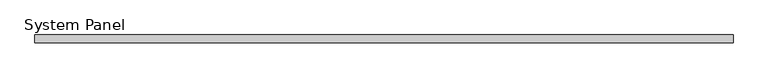
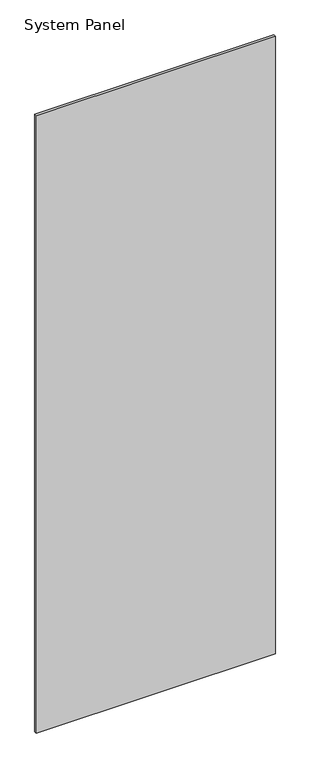
"""IFC4 building model written with IfcOpenShell, lengths in millimetres: plate geometry, System Panel."""

import ifcopenshell
import ifcopenshell.guid

model = None  # the IFC model being written
_history = None  # IfcOwnerHistory: only IFC2X3 demands one
_inside = {}  # id of a spatial element -> (the spatial element, [elements in it])
_under = {}  # id of a project, library or spatial element -> (it, [spatial elements below it])
_declared = {}  # id of a project -> (the project, [libraries it declares])
_typed = {}  # id of a type object -> (the type object, [elements of that type])
_made_of = {}  # id of a material, layer set ... -> (it, [elements and type objects made of it])


def new_model(schema):
    """Start an empty IFC model of exactly this schema.

    Asked for "IFC4X3", IfcOpenShell would pick the latest addendum, in which some entities
    have other attributes; the version numbers below select the first issue.
    IFC2X3 requires an IfcOwnerHistory on every rooted entity: one is made here for all.
    """
    global model, _history
    if schema == "IFC4X3":
        model = ifcopenshell.file(schema_version=(4, 3, 0, 0))
    else:
        model = ifcopenshell.file(schema=schema)
    _inside.clear()
    _under.clear()
    _declared.clear()
    _typed.clear()
    _made_of.clear()
    _history = None
    if model.schema == "IFC2X3":
        org = make("IfcOrganization", Name="unknown")
        user = make(
            "IfcPersonAndOrganization",
            ThePerson=make("IfcPerson", FamilyName="unknown"),
            TheOrganization=org,
        )
        app = make(
            "IfcApplication",
            ApplicationDeveloper=org,
            Version="unknown",
            ApplicationFullName="unknown",
            ApplicationIdentifier="unknown",
        )
        _history = make(
            "IfcOwnerHistory",
            OwningUser=user,
            OwningApplication=app,
            ChangeAction="ADDED",
            CreationDate=0,
        )
    return model


def make(cls, **values):
    """One entity of the class cls with the attributes given. An attribute that is None is left unset."""
    return model.create_entity(
        cls, **{name: value for name, value in values.items() if value is not None}
    )


def rooted(cls, **values):
    """An entity with a GlobalId (a new one), such as an element, a storey or a relation."""
    return make(cls, GlobalId=ifcopenshell.guid.new(), OwnerHistory=_history, **values)


def si_unit(unit_type, name, prefix=None):
    """IfcSIUnit, for example si_unit("LENGTHUNIT", "METRE", prefix="MILLI")."""
    return make("IfcSIUnit", UnitType=unit_type, Prefix=prefix, Name=name)


def assignment(units):
    """IfcUnitAssignment: the units of a project."""
    return None if units is None else make("IfcUnitAssignment", Units=units)


def point(xyz):
    """IfcCartesianPoint."""
    return None if xyz is None else make("IfcCartesianPoint", Coordinates=xyz)


def direction(xyz):
    """IfcDirection."""
    return None if xyz is None else make("IfcDirection", DirectionRatios=xyz)


def frame(location, z_axis=None, x_axis=None):
    """IfcAxis2Placement3D, a coordinate frame: its origin and axes. An axis left out is left unset."""
    return make(
        "IfcAxis2Placement3D",
        Location=point(location),
        Axis=direction(z_axis),
        RefDirection=direction(x_axis),
    )


def origin():
    """The frame at (0, 0, 0) with its axes left unset."""
    return frame((0.0, 0.0, 0.0))


def origin_with_axes():
    """The frame at (0, 0, 0) with the z axis (0, 0, 1) and the x axis (1, 0, 0) written out."""
    return frame((0.0, 0.0, 0.0), z_axis=(0.0, 0.0, 1.0), x_axis=(1.0, 0.0, 0.0))


def place(relative_to, where):
    """IfcLocalPlacement: puts the frame where relative to a parent placement (None: the world)."""
    return make(
        "IfcLocalPlacement", PlacementRelTo=relative_to, RelativePlacement=where
    )


def context(
    kind, dimensions, precision=None, world=None, true_north=None, identifier=None
):
    """IfcGeometricRepresentationContext, for example the 3D "Model" context."""
    return make(
        "IfcGeometricRepresentationContext",
        ContextIdentifier=identifier,
        ContextType=kind,
        CoordinateSpaceDimension=dimensions,
        Precision=precision,
        WorldCoordinateSystem=world,
        TrueNorth=true_north,
    )


def project(units=None, contexts=None):
    """IfcProject with its units and contexts."""
    return rooted(
        "IfcProject",
        Name="project",
        RepresentationContexts=contexts,
        UnitsInContext=assignment(units),
    )


def spatial(cls, under=None, at=None, **own):
    """A site, building, storey or space (cls), placed at a placement, below another one or the project."""
    s = rooted(cls, ObjectPlacement=at, **own)
    if under is not None:
        _under.setdefault(under.id(), (under, []))[1].append(s)
    return s


def polyline(points):
    """IfcPolyline through the points."""
    return make("IfcPolyline", Points=[point(p) for p in points])


def outline(outer, holes=None, kind="AREA"):
    """IfcArbitraryClosedProfileDef: a profile drawn as a closed curve; with holes, ...WithVoids."""
    if holes is None:
        return make("IfcArbitraryClosedProfileDef", ProfileType=kind, OuterCurve=outer)
    return make(
        "IfcArbitraryProfileDefWithVoids",
        ProfileType=kind,
        OuterCurve=outer,
        InnerCurves=holes,
    )


def extrude(swept, where, along, depth):
    """IfcExtrudedAreaSolid: the profile swept, set in the frame where, extruded along a direction by depth."""
    return make(
        "IfcExtrudedAreaSolid",
        SweptArea=swept,
        Position=where,
        ExtrudedDirection=direction(along),
        Depth=depth,
    )


def shape(context_of_items, identifier, shape_type, items):
    """IfcShapeRepresentation: the items that make up one representation, for example the "Body"."""
    return make(
        "IfcShapeRepresentation",
        ContextOfItems=context_of_items,
        RepresentationIdentifier=identifier,
        RepresentationType=shape_type,
        Items=items,
    )


def source(mapping_origin, context_of_items, identifier, shape_type, items):
    """IfcRepresentationMap: a shape defined once, which mapped items show again and again."""
    return make(
        "IfcRepresentationMap",
        MappingOrigin=mapping_origin,
        MappedRepresentation=shape(context_of_items, identifier, shape_type, items),
    )


def transform(
    local_origin,
    x_axis=None,
    y_axis=None,
    z_axis=None,
    scale=None,
    scale2=None,
    scale3=None,
    uniform=True,
):
    """IfcCartesianTransformationOperator3D, or its non-uniform kind. x_axis, y_axis, z_axis: its Axis1, 2, 3."""
    if uniform:
        return make(
            "IfcCartesianTransformationOperator3D",
            Axis1=direction(x_axis),
            Axis2=direction(y_axis),
            LocalOrigin=point(local_origin),
            Scale=scale,
            Axis3=direction(z_axis),
        )
    return make(
        "IfcCartesianTransformationOperator3DnonUniform",
        Axis1=direction(x_axis),
        Axis2=direction(y_axis),
        LocalOrigin=point(local_origin),
        Scale=scale,
        Axis3=direction(z_axis),
        Scale2=scale2,
        Scale3=scale3,
    )


def mapped(mapping_source, mapping_target):
    """IfcMappedItem: shows the shape of a source again, moved by a transform."""
    return make(
        "IfcMappedItem", MappingSource=mapping_source, MappingTarget=mapping_target
    )


def made_of(thing, what):
    """Note that an element or type object is made of a material, layer set ...; save() writes the relation."""
    if what is not None:
        _made_of.setdefault(what.id(), (what, []))[1].append(thing)
    return thing


def element(
    cls,
    number,
    at=None,
    inside=None,
    cuts=None,
    type_object=None,
    material=None,
    context=None,
    identifier="Body",
    shape_type=None,
    held_by="IfcProductDefinitionShape",
    body=None,
    shapes=None,
    **own,
):
    """One element of the class cls, such as IfcWall. Its Tag is "e" and its number.

    at: its placement. inside: the storey or other place that contains it. cuts: it is an
    opening in that element (IfcRelVoidsElement). A single representation is given by context,
    identifier, shape_type and body (its items); several are given by shapes. held_by: the class
    of the entity that holds the representations. save() writes the other relations.
    """
    e = rooted(cls, Tag="e%d" % number, ObjectPlacement=at, **own)
    if body is not None:
        shapes = [shape(context, identifier, shape_type, body)]
    if shapes is not None:
        e.Representation = make(held_by, Representations=shapes)
    if inside is not None:
        _inside.setdefault(inside.id(), (inside, []))[1].append(e)
    if cuts is not None:
        rooted(
            "IfcRelVoidsElement", RelatingBuildingElement=cuts, RelatedOpeningElement=e
        )
    if type_object is not None:
        _typed.setdefault(type_object.id(), (type_object, []))[1].append(e)
    return made_of(e, material)


def aggregate(whole, parts):
    """IfcRelAggregates: a whole, such as a stair, and the parts it consists of."""
    return rooted("IfcRelAggregates", RelatingObject=whole, RelatedObjects=parts)


def save(model, path):
    """Write the relations noted so far, then the file.

    IfcRelAggregates (storeys below a building ...), IfcRelContainedInSpatialStructure (elements
    in a storey), IfcRelDefinesByType, IfcRelAssociatesMaterial and IfcRelDeclares: one each for
    every whole, place, type object, material and project.
    """
    for whole, parts in _under.values():
        aggregate(whole, parts)
    for where, things in _inside.values():
        rooted(
            "IfcRelContainedInSpatialStructure",
            RelatedElements=things,
            RelatingStructure=where,
        )
    for kind, things in _typed.values():
        rooted("IfcRelDefinesByType", RelatedObjects=things, RelatingType=kind)
    for what, things in _made_of.values():
        rooted("IfcRelAssociatesMaterial", RelatedObjects=things, RelatingMaterial=what)
    for by, libraries in _declared.values():
        rooted("IfcRelDeclares", RelatingContext=by, RelatedDefinitions=libraries)
    model.write(path)


def system_panel_9a057719(model_context):
    return source(origin(), model_context, "Body", "SweptSolid", [
        extrude(outline(polyline([(547.84, -6.0), (-547.84, -6.0), (-547.84, 6.0), (547.84, 6.0), (547.84, -6.0)])), origin_with_axes(), (0.0, 0.0, 1.0), 2991.6097048),
    ])


if __name__ == "__main__":
    model = new_model("IFC4")
    model_context = context("Model", 3, world=origin())
    ifc_project = project(units=[si_unit("LENGTHUNIT", "METRE", prefix="MILLI")], contexts=[model_context])
    site = spatial("IfcSite", under=ifc_project)
    building = spatial("IfcBuilding", under=site)
    placement = place(None, origin())
    system_panel_shape = system_panel_9a057719(model_context)
    element("IfcPlate", 1, ObjectType="System Panel", at=placement, inside=building, context=model_context, shape_type="MappedRepresentation", body=[
        mapped(system_panel_shape, transform((0.0, 0.0, 0.0), x_axis=(1.0, 0.0, 0.0), y_axis=(0.0, 1.0, 0.0), z_axis=(0.0, 0.0, 1.0))),
    ])
    save(model, "model.ifc")
